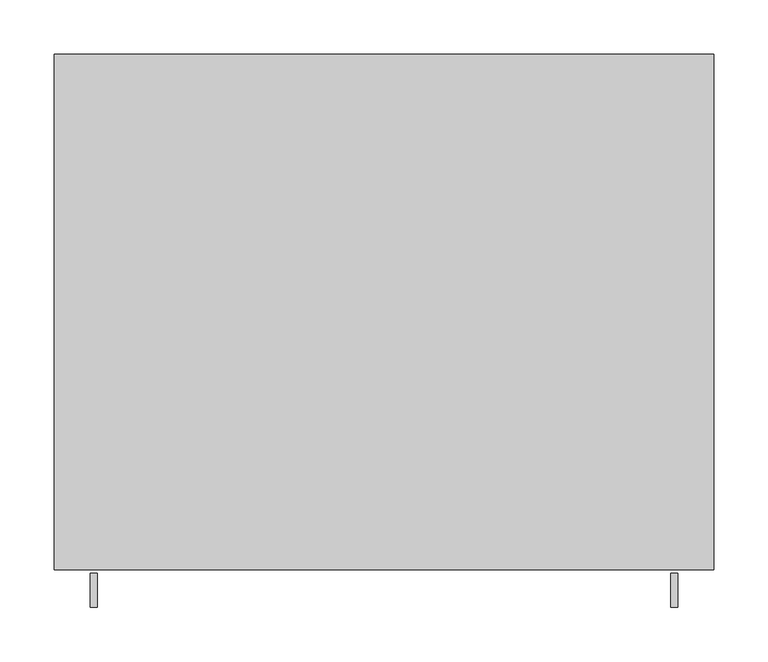
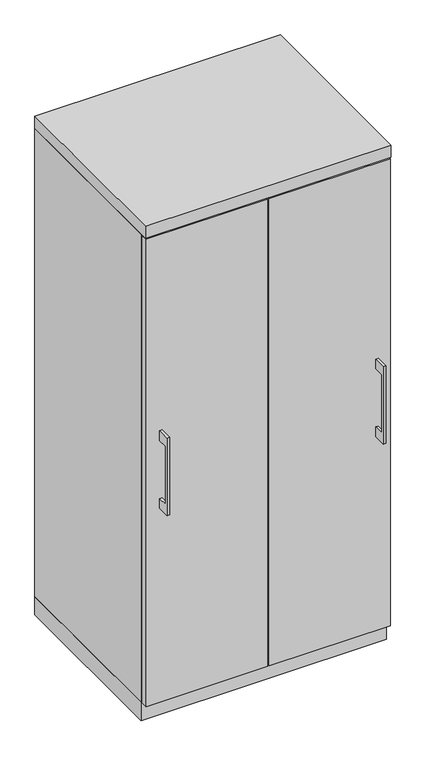
"""IFC4 building model written with IfcOpenShell, lengths in millimetres: furniture geometry."""

from ifc_helpers import new_model, si_unit, frame, origin, origin_with_axes, place, context, project, spatial, polyline, outline, extrude, source, transform, mapped, element, save


def furniture_1b857137(model_context):
    return source(origin(), model_context, "Body", "SweptSolid", [
        extrude(outline(polyline([(-479.425, 736.6), (-504.8249758, 736.6), (-504.8249758, 584.2), (-479.425, 584.2), (-479.425, 558.8), (-511.1749879, 558.8), (-511.1749879, 762.0), (-479.425, 762.0), (-479.425, 736.6)])), frame((265.1125121, 0.0, 0.0), z_axis=(1.0, 0.0, 0.0), x_axis=(0.0, 1.0, 0.0)), (0.0, 0.0, 1.0), 6.3499758),
        extrude(outline(polyline([(303.2125, -476.25), (1.5875, -476.25), (1.5875, -457.2), (303.2125, -457.2), (303.2125, -476.25)])), frame((0.0, 0.0, 47.625), z_axis=(0.0, 0.0, 1.0), x_axis=(1.0, 0.0, 0.0)), (0.0, 0.0, 1.0), 1225.55),
        extrude(outline(polyline([(-479.425, 736.6), (-504.8249758, 736.6), (-504.8249758, 584.2), (-479.425, 584.2), (-479.425, 558.8), (-511.1749879, 558.8), (-511.1749879, 762.0), (-479.425, 762.0), (-479.425, 736.6)])), frame((-271.4624879, 0.0, 0.0), z_axis=(1.0, 0.0, 0.0), x_axis=(0.0, 1.0, 0.0)), (0.0, 0.0, 1.0), 6.3499758),
        extrude(outline(polyline([(-303.2125, -476.25), (-303.2125, -457.2), (-1.5875, -457.2), (-1.5875, -476.25), (-303.2125, -476.25)])), frame((0.0, 0.0, 47.625), z_axis=(0.0, 0.0, 1.0), x_axis=(1.0, 0.0, 0.0)), (0.0, 0.0, 1.0), 1225.55),
        extrude(outline(polyline([(304.8, 0.0), (304.8, -457.2), (-304.8, -457.2), (-304.8, 0.0), (304.8, 0.0)])), origin_with_axes(), (0.0, 0.0, 1.0), 47.625),
        extrude(outline(polyline([(304.8, 0.0), (304.8, -476.25), (-304.8, -476.25), (-304.8, 0.0), (304.8, 0.0)])), frame((0.0, 0.0, 1276.35), z_axis=(0.0, 0.0, 1.0), x_axis=(1.0, 0.0, 0.0)), (0.0, 0.0, 1.0), 31.75),
        extrude(outline(polyline([(304.8, 0.0), (304.8, -457.2), (285.75, -457.2), (285.75, -19.05), (9.525, -19.05), (9.525, -457.2), (-9.525, -457.2), (-9.525, -19.05), (-285.75, -19.05), (-285.75, -457.2), (-304.8, -457.2), (-304.8, 0.0), (304.8, 0.0)])), frame((0.0, 0.0, 47.625), z_axis=(0.0, 0.0, 1.0), x_axis=(1.0, 0.0, 0.0)), (0.0, 0.0, 1.0), 1228.725),
    ])


if __name__ == "__main__":
    model = new_model("IFC4")
    model_context = context("Model", 3, world=origin())
    ifc_project = project(units=[si_unit("LENGTHUNIT", "METRE", prefix="MILLI")], contexts=[model_context])
    site = spatial("IfcSite", under=ifc_project)
    building = spatial("IfcBuilding", under=site)
    placement = place(None, origin())
    furniture_shape = furniture_1b857137(model_context)
    element("IfcFurniture", 1, at=placement, inside=building, context=model_context, shape_type="MappedRepresentation", body=[
        mapped(furniture_shape, transform((0.0, 0.0, 0.0), x_axis=(1.0, 0.0, 0.0), y_axis=(0.0, 1.0, 0.0), z_axis=(0.0, 0.0, 1.0))),
    ])
    save(model, "model.ifc")
